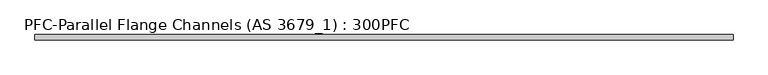
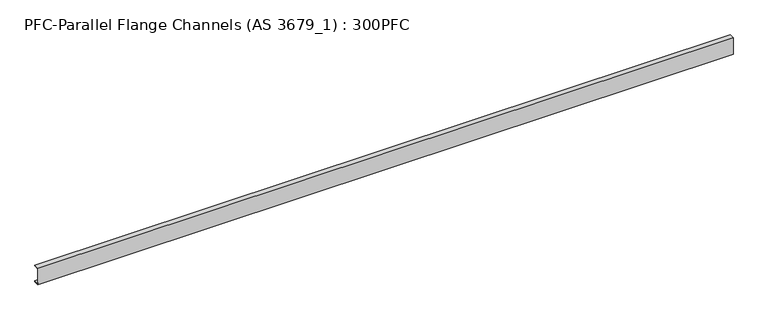
"""IFC4 building model written with IfcOpenShell, lengths in millimetres: beam geometry, PFC-Parallel Flange Channels (AS 3679_1) : 300PFC."""

from ifc_helpers import new_model, si_unit, point, frame, frame_2d, origin, place, context, project, spatial, polyline, circle_curve, trimmed, segment, composite_curve, outline, extrude, source, transform, mapped, element, save


def pfc_parallel_flange_channels_as_3679_1_300pfc_38cdd71b(model_context):
    return source(origin(), model_context, "Body", "SweptSolid", [
        extrude(outline(composite_curve([segment(polyline([(-27.2, 150.0), (62.8, 150.0), (62.8, 134.0), (-5.2, 134.0)]), True, "CONTINUOUS"), segment(trimmed(circle_curve(frame_2d((-5.2, 120.0)), 14.0), [point((-5.2, 134.0))], [point((-19.2, 120.0))], True, "CARTESIAN"), True, "CONTINUOUS"), segment(polyline([(-19.2, 120.0), (-19.2, -120.0)]), True, "CONTINUOUS"), segment(trimmed(circle_curve(frame_2d((-5.2, -120.0)), 14.0), [point((-19.2, -120.0))], [point((-5.2, -134.0))], True, "CARTESIAN"), True, "CONTINUOUS"), segment(polyline([(-5.2, -134.0), (62.8, -134.0), (62.8, -150.0), (-27.2, -150.0), (-27.2, 150.0)]), True, "CONTINUOUS")], self_intersect=False)), frame((-5964.5, 0.0, 0.0), z_axis=(1.0, 0.0, 0.0), x_axis=(0.0, 1.0, 0.0)), (0.0, 0.0, 1.0), 11929.0),
    ])


if __name__ == "__main__":
    model = new_model("IFC4")
    model_context = context("Model", 3, world=origin())
    ifc_project = project(units=[si_unit("LENGTHUNIT", "METRE", prefix="MILLI")], contexts=[model_context])
    site = spatial("IfcSite", under=ifc_project)
    building = spatial("IfcBuilding", under=site)
    placement = place(None, origin())
    pfc_parallel_flange_channels_as_3679_1_300pfc_shape = pfc_parallel_flange_channels_as_3679_1_300pfc_38cdd71b(model_context)
    element("IfcBeam", 1, ObjectType="PFC-Parallel Flange Channels (AS 3679_1) : 300PFC", at=placement, inside=building, context=model_context, shape_type="MappedRepresentation", body=[
        mapped(pfc_parallel_flange_channels_as_3679_1_300pfc_shape, transform((0.0, 0.0, 0.0), x_axis=(1.0, 0.0, 0.0), y_axis=(0.0, 1.0, 0.0), z_axis=(0.0, 0.0, 1.0))),
    ])
    save(model, "model.ifc")
